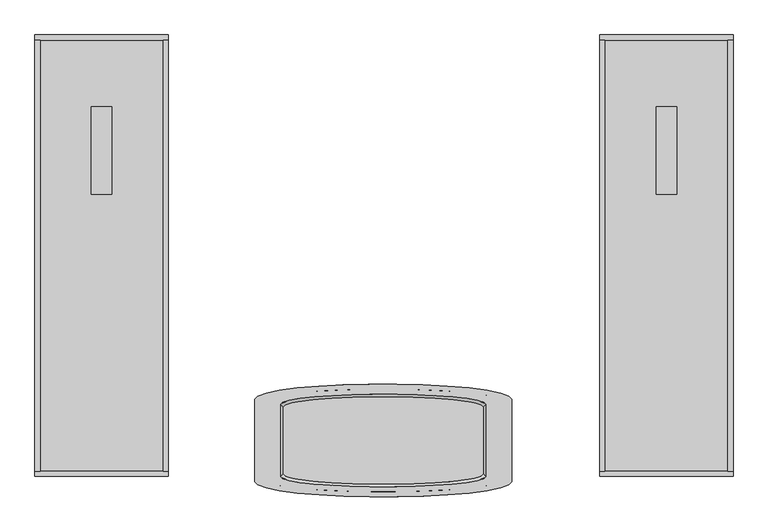
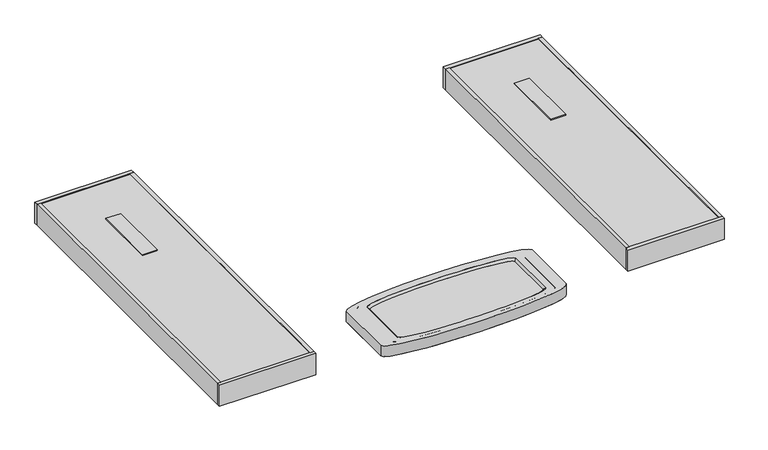
"""IFC4 building model written with IfcOpenShell, lengths in millimetres: proxy geometry."""

from ifc_helpers import new_model, si_unit, point, frame, origin, origin_with_axes, place, context, project, spatial, polyline, ellipse_curve, trimmed, outline, extrude, source, transform, mapped, element, save
from ifc_brep_helpers import plane_surface, extruded_surface, spline_surface, advanced_brep


def specialty_equipment_22bce5d2(model_context):
    return source(origin(), model_context, "Body", "SolidModel", [
        advanced_brep(
        [(-498.8004493, 114.1223602, 63.5), (491.7995507, 114.1223602, 63.5), (491.7995507, 444.3223602, 63.5), (-498.8004493, 444.3223602, 63.5), (-511.5004493, 100.8879397, 76.2), (504.4995507, 100.8879397, 76.2), (504.4995507, 457.5567808, 76.2), (-511.5004493, 457.5567808, 76.2), (-638.5004493, 482.4223602, 76.2), (-638.5004493, 76.0223602, 76.2), (631.4995507, 76.0223602, 76.2), (631.4995507, 482.4223602, 76.2), (-638.5004493, 482.4223602, 0.0), (631.4995507, 482.4223602, 0.0), (631.4995507, 76.0223602, 0.0), (-638.5004493, 76.0223602, 0.0)],
        [
            (0, 1, ellipse_curve(frame((-3.5004493, 114.1223602, 63.5), z_axis=(0.0, 0.0, 1.0), x_axis=(-1.0, 0.0, 0.0)), 495.3, 50.8)),
            (1, 2),
            (2, 3, ellipse_curve(frame((-3.5004493, 444.3223602, 63.5), z_axis=(0.0, 0.0, 1.0), x_axis=(-1.0, 0.0, 0.0)), 495.3, 50.8)),
            (3, 0),
            (0, 4),
            (4, 5, ellipse_curve(frame((-3.5004493, 100.8879397, 76.2), z_axis=(0.0, 0.0, 1.0), x_axis=(-1.0, 0.0, 0.0)), 508.0, 50.2227273)),
            (5, 1),
            (5, 6),
            (6, 2),
            (6, 7, ellipse_curve(frame((-3.5004493, 457.5567808, 76.2), z_axis=(0.0, 0.0, 1.0), x_axis=(-1.0, 0.0, 0.0)), 508.0, 50.2227273)),
            (7, 3),
            (7, 4),
            (8, 9),
            (9, 10, ellipse_curve(frame((-3.5004493, 76.0223602, 76.2), z_axis=(0.0, 0.0, 1.0), x_axis=(-1.0, 0.0, 0.0)), 635.0, 76.2)),
            (10, 11),
            (11, 8, ellipse_curve(frame((-3.5004493, 482.4223602, 76.2), z_axis=(0.0, 0.0, 1.0), x_axis=(-1.0, 0.0, 0.0)), 635.0, 76.2)),
            (12, 13, ellipse_curve(frame((-3.5004493, 482.4223602, 0.0), z_axis=(0.0, 0.0, -1.0), x_axis=(-1.0, 0.0, 0.0)), 635.0, 76.2)),
            (13, 14),
            (14, 15, ellipse_curve(frame((-3.5004493, 76.0223602, 0.0), z_axis=(0.0, 0.0, -1.0), x_axis=(-1.0, 0.0, 0.0)), 635.0, 76.2)),
            (15, 12),
            (8, 12),
            (15, 9),
            (14, 10),
            (13, 11),
        ],
        [
            plane_surface(frame((-3.5004493, 279.2223602, 63.5), z_axis=(0.0, 0.0, 1.0), x_axis=(0.0, -1.0, 0.0))),
            spline_surface(1, 2, [[(-498.8004493, 114.1223602, 63.5), (-498.8004493, 63.322360200000006, 63.5), (-3.5004493, 63.322360200000006, 63.5), (491.7995507, 63.322360200000006, 63.5), (491.7995507, 114.1223602, 63.5)], [(-511.5004493, 100.8879397, 76.2), (-511.5004493, 50.6652124, 76.2), (-3.5004493, 50.6652124, 76.2), (504.4995507, 50.6652124, 76.2), (504.4995507, 100.8879397, 76.2)]], [2, 2], [3, 2, 3], [0.0, 1.0], [0.0, 1.0, 2.0], weights=[[1.0, 0.7071067811865476, 1.0, 0.7071067811865476, 1.0], [1.0, 0.7071067811865476, 1.0, 0.7071067811865476, 1.0]]),
            plane_surface(frame((491.7995507, 279.2223602, 63.5), z_axis=(-0.7071067811865671, 0.0, 0.707106781186528), x_axis=(0.0, 1.0, 0.0))),
            spline_surface(1, 2, [[(491.7995507, 444.3223602, 63.5), (491.7995507, 495.1223602, 63.5), (-3.5004493, 495.1223602, 63.5), (-498.8004493, 495.1223602, 63.5), (-498.8004493, 444.3223602, 63.5)], [(504.4995507, 457.5567808, 76.2), (504.4995507, 507.77950810000004, 76.2), (-3.5004493, 507.77950810000004, 76.2), (-511.5004493, 507.77950810000004, 76.2), (-511.5004493, 457.5567808, 76.2)]], [2, 2], [3, 2, 3], [0.0, 1.0], [0.0, 1.0, 2.0], weights=[[1.0, 0.7071067811865476, 1.0, 0.7071067811865476, 1.0], [1.0, 0.7071067811865476, 1.0, 0.7071067811865476, 1.0]]),
            plane_surface(frame((-498.8004493, 279.2223602, 63.5), z_axis=(0.7071067811865638, 0.0, 0.7071067811865313), x_axis=(0.0, -1.0, 0.0))),
            plane_surface(frame((-638.5004493, 76.0223602, 76.2), z_axis=(0.0, 0.0, 1.0), x_axis=(0.0, -1.0, 0.0))),
            plane_surface(frame((-638.5004493, 76.0223602, 0.0), z_axis=(0.0, 0.0, -1.0), x_axis=(0.0, 1.0, 0.0))),
            plane_surface(frame((-638.5004493, 482.4223602, 76.2), z_axis=(-1.0, 0.0, 0.0), x_axis=(0.0, 0.0, -1.0))),
            extruded_surface(trimmed(ellipse_curve(frame((-3.5004493, 76.0223602, -76.2), z_axis=(0.0, 0.0, 1.0), x_axis=(-1.0, 0.0, 0.0)), 635.0, 76.2), [point((-638.5004493, 76.0223602, -76.2))], [point((631.4995507, 76.0223602, -76.2))], True, "CARTESIAN"), (0.0, 0.0, 76.2), 76.2),
            plane_surface(frame((631.4995507, 76.0223602, 76.2), z_axis=(1.0, 0.0, 0.0), x_axis=(0.0, 0.0, -1.0))),
            extruded_surface(trimmed(ellipse_curve(frame((-3.5004493, 482.4223602, -76.2), z_axis=(0.0, 0.0, 1.0), x_axis=(-1.0, 0.0, 0.0)), 635.0, 76.2), [point((631.4995507, 482.4223602, -76.2))], [point((-638.5004493, 482.4223602, -76.2))], True, "CARTESIAN"), (0.0, 0.0, 76.2), 76.2),
        ],
        [
            (0, [[1, 2, 3, 4]]),
            (1, [[-1, 5, 6, 7]]),
            (2, [[-2, -7, 8, 9]]),
            (3, [[-3, -9, 10, 11]]),
            (4, [[-4, -11, 12, -5]]),
            (5, [[13, 14, 15, 16], [-6, -12, -10, -8]]),
            (6, [[17, 18, 19, 20]]),
            (7, [[-13, 21, -20, 22]]),
            (8, [[-14, -22, -19, 23]]),
            (9, [[-15, -23, -18, 24]]),
            (10, [[-16, -24, -17, -21]]),
        ],
    ),
        advanced_brep(
        [(-562.3004493, 76.0223602, 76.2), (555.2995507, 76.0223602, 76.2), (555.2995507, 482.4223602, 76.2), (-562.3004493, 482.4223602, 76.2), (504.4995507, 100.8879397, 76.2), (-511.5004493, 100.8879397, 76.2), (-511.5004493, 457.5567808, 76.2), (504.4995507, 457.5567808, 76.2), (-638.5004493, 76.0223602, 0.0), (-638.5004493, 482.4223602, 0.0), (631.4995507, 482.4223602, 0.0), (631.4995507, 76.0223602, 0.0), (-498.8004493, 114.1223602, 63.5), (491.7995507, 114.1223602, 63.5), (491.7995507, 444.3223602, 63.5), (-498.8004493, 444.3223602, 63.5)],
        [
            (0, 1, ellipse_curve(frame((-3.5004493, 76.0223602, 76.2), z_axis=(0.0, 0.0, 1.0), x_axis=(-1.0, 0.0, 0.0)), 558.8, 50.8)),
            (1, 2),
            (2, 3, ellipse_curve(frame((-3.5004493, 482.4223602, 76.2), z_axis=(0.0, 0.0, 1.0), x_axis=(-1.0, 0.0, 0.0)), 558.8, 50.8)),
            (3, 0),
            (4, 5, ellipse_curve(frame((-3.5004493, 100.8879397, 76.2), z_axis=(0.0, 0.0, -1.0), x_axis=(-1.0, 0.0, 0.0)), 508.0, 50.2227273)),
            (5, 6),
            (6, 7, ellipse_curve(frame((-3.5004493, 457.5567808, 76.2), z_axis=(0.0, 0.0, -1.0), x_axis=(-1.0, 0.0, 0.0)), 508.0, 50.2227273)),
            (7, 4),
            (8, 9),
            (9, 10, ellipse_curve(frame((-3.5004493, 482.4223602, 0.0), z_axis=(0.0, 0.0, -1.0), x_axis=(-1.0, 0.0, 0.0)), 635.0, 76.2)),
            (10, 11),
            (11, 8, ellipse_curve(frame((-3.5004493, 76.0223602, 0.0), z_axis=(0.0, 0.0, -1.0), x_axis=(-1.0, 0.0, 0.0)), 635.0, 76.2)),
            (0, 8),
            (11, 1),
            (10, 2),
            (9, 3),
            (12, 13, ellipse_curve(frame((-3.5004493, 114.1223602, 63.5), z_axis=(0.0, 0.0, 1.0), x_axis=(-1.0, 0.0, 0.0)), 495.3, 50.8)),
            (13, 14),
            (14, 15, ellipse_curve(frame((-3.5004493, 444.3223602, 63.5), z_axis=(0.0, 0.0, 1.0), x_axis=(-1.0, 0.0, 0.0)), 495.3, 50.8)),
            (15, 12),
            (12, 5),
            (4, 13),
            (7, 14),
            (6, 15),
        ],
        [
            plane_surface(frame((-3.5004493, 279.2223602, 76.2), z_axis=(0.0, 0.0, 1.0), x_axis=(0.0, -1.0, 0.0))),
            plane_surface(frame((-3.5004493, 279.2223602, 0.0), z_axis=(0.0, 0.0, -1.0), x_axis=(0.0, -1.0, 0.0))),
            spline_surface(2, 1, [[(-638.5004493, 76.0223602, 0.0), (-562.3004493, 76.0223602, 76.2)], [(-638.5004493, -0.17763980000000856, 0.0), (-562.3004493, 25.222360199999997, 76.2)], [(-3.5004493, -0.17763980000000856, 0.0), (-3.5004493, 25.222360199999997, 76.2)], [(631.4995507, -0.17763980000000856, 0.0), (555.2995506999999, 25.222360199999997, 76.2)], [(631.4995507, 76.0223602, 0.0), (555.2995507, 76.0223602, 76.2)]], [3, 2, 3], [2, 2], [0.0, 1.0, 2.0], [0.0, 1.0], weights=[[1.0, 1.0], [0.7071067811865476, 0.7071067811865476], [1.0, 1.0], [0.7071067811865476, 0.7071067811865476], [1.0, 1.0]]),
            plane_surface(frame((631.4995507, 279.2223602, 0.0), z_axis=(0.7071067811865792, 0.0, 0.7071067811865158), x_axis=(0.0, 1.0, 0.0))),
            spline_surface(2, 1, [[(631.4995507, 482.4223602, 0.0), (555.2995507, 482.4223602, 76.2)], [(631.4995507, 558.6223602, 0.0), (555.2995507, 533.2223602, 76.2)], [(-3.5004493, 558.6223602, 0.0), (-3.5004493, 533.2223602, 76.2)], [(-638.5004493, 558.6223602, 0.0), (-562.3004493000001, 533.2223602, 76.2)], [(-638.5004493, 482.4223602, 0.0), (-562.3004493, 482.4223602, 76.2)]], [3, 2, 3], [2, 2], [0.0, 1.0, 2.0], [0.0, 1.0], weights=[[1.0, 1.0], [0.7071067811865476, 0.7071067811865476], [1.0, 1.0], [0.7071067811865476, 0.7071067811865476], [1.0, 1.0]]),
            plane_surface(frame((-638.5004493, 279.2223602, 0.0), z_axis=(-0.7071067811865188, 0.0, 0.7071067811865762), x_axis=(0.0, -1.0, 0.0))),
            plane_surface(frame((-3.5004493, 279.2223602, 63.5), z_axis=(0.0, 0.0, 1.0), x_axis=(0.0, -1.0, 0.0))),
            spline_surface(1, 2, [[(-498.8004493, 114.1223602, 63.5), (-498.8004493, 63.322360200000006, 63.5), (-3.5004493, 63.322360200000006, 63.5), (491.7995507, 63.322360200000006, 63.5), (491.7995507, 114.1223602, 63.5)], [(-511.5004493, 100.8879397, 76.2), (-511.5004493, 50.6652124, 76.2), (-3.5004493, 50.6652124, 76.2), (504.4995507, 50.6652124, 76.2), (504.4995507, 100.8879397, 76.2)]], [2, 2], [3, 2, 3], [0.0, 1.0], [0.0, 1.0, 2.0], weights=[[1.0, 0.7071067811865476, 1.0, 0.7071067811865476, 1.0], [1.0, 0.7071067811865476, 1.0, 0.7071067811865476, 1.0]]),
            plane_surface(frame((491.7995507, 279.2223602, 63.5), z_axis=(-0.7071067811865671, 0.0, 0.707106781186528), x_axis=(0.0, 1.0, 0.0))),
            spline_surface(1, 2, [[(491.7995507, 444.3223602, 63.5), (491.7995507, 495.1223602, 63.5), (-3.5004493, 495.1223602, 63.5), (-498.8004493, 495.1223602, 63.5), (-498.8004493, 444.3223602, 63.5)], [(504.4995507, 457.5567808, 76.2), (504.4995507, 507.77950810000004, 76.2), (-3.5004493, 507.77950810000004, 76.2), (-511.5004493, 507.77950810000004, 76.2), (-511.5004493, 457.5567808, 76.2)]], [2, 2], [3, 2, 3], [0.0, 1.0], [0.0, 1.0, 2.0], weights=[[1.0, 0.7071067811865476, 1.0, 0.7071067811865476, 1.0], [1.0, 0.7071067811865476, 1.0, 0.7071067811865476, 1.0]]),
            plane_surface(frame((-498.8004493, 279.2223602, 63.5), z_axis=(0.7071067811865638, 0.0, 0.7071067811865313), x_axis=(0.0, -1.0, 0.0))),
        ],
        [
            (0, [[1, 2, 3, 4], [5, 6, 7, 8]]),
            (1, [[9, 10, 11, 12]]),
            (2, [[-1, 13, -12, 14]]),
            (3, [[-2, -14, -11, 15]]),
            (4, [[-3, -15, -10, 16]]),
            (5, [[-4, -16, -9, -13]]),
            (6, [[17, 18, 19, 20]]),
            (7, [[-17, 21, -5, 22]]),
            (8, [[-18, -22, -8, 23]]),
            (9, [[-19, -23, -7, 24]]),
            (10, [[-20, -24, -6, -21]]),
        ],
    ),
        extrude(outline(polyline([(1447.8, 1498.6), (1346.2, 1498.6), (1346.2, 1930.4), (1447.8, 1930.4), (1447.8, 1498.6)])), frame((0.0, 0.0, 146.05), z_axis=(0.0, 0.0, 1.0), x_axis=(1.0, 0.0, 0.0)), (0.0, 0.0, 1.0), 6.35),
        extrude(outline(polyline([(1092.2, 2260.6), (1701.8, 2260.6), (1701.8, 127.0), (1092.2, 127.0), (1092.2, 2260.6)])), frame((0.0, 0.0, 133.35), z_axis=(0.0, 0.0, 1.0), x_axis=(1.0, 0.0, 0.0)), (0.0, 0.0, 1.0), 12.7),
        extrude(outline(polyline([(1727.2, 127.0), (1701.8, 127.0), (1701.8, 2260.6), (1727.2, 2260.6), (1727.2, 127.0)])), origin_with_axes(), (0.0, 0.0, 1.0), 152.4),
        extrude(outline(polyline([(1066.8, 127.0), (1066.8, 2260.6), (1092.2, 2260.6), (1092.2, 127.0), (1066.8, 127.0)])), origin_with_axes(), (0.0, 0.0, 1.0), 152.4),
        extrude(outline(polyline([(1727.2, 101.6), (1066.8, 101.6), (1066.8, 127.0), (1727.2, 127.0), (1727.2, 101.6)])), origin_with_axes(), (0.0, 0.0, 1.0), 152.4),
        extrude(outline(polyline([(1727.2, 2260.6), (1066.8, 2260.6), (1066.8, 2286.0), (1727.2, 2286.0), (1727.2, 2260.6)])), origin_with_axes(), (0.0, 0.0, 1.0), 152.4),
        extrude(outline(polyline([(-1447.8, 1498.6), (-1447.8, 1930.4), (-1346.2, 1930.4), (-1346.2, 1498.6), (-1447.8, 1498.6)])), frame((0.0, 0.0, 146.05), z_axis=(0.0, 0.0, 1.0), x_axis=(1.0, 0.0, 0.0)), (0.0, 0.0, 1.0), 6.35),
        extrude(outline(polyline([(-1092.2, 2260.6), (-1092.2, 127.0), (-1701.8, 127.0), (-1701.8, 2260.6), (-1092.2, 2260.6)])), frame((0.0, 0.0, 133.35), z_axis=(0.0, 0.0, 1.0), x_axis=(1.0, 0.0, 0.0)), (0.0, 0.0, 1.0), 12.7),
        extrude(outline(polyline([(-1727.2, 127.0), (-1727.2, 2260.6), (-1701.8, 2260.6), (-1701.8, 127.0), (-1727.2, 127.0)])), origin_with_axes(), (0.0, 0.0, 1.0), 152.4),
        extrude(outline(polyline([(-1066.8, 127.0), (-1092.2, 127.0), (-1092.2, 2260.6), (-1066.8, 2260.6), (-1066.8, 127.0)])), origin_with_axes(), (0.0, 0.0, 1.0), 152.4),
        extrude(outline(polyline([(-1727.2, 101.6), (-1727.2, 127.0), (-1066.8, 127.0), (-1066.8, 101.6), (-1727.2, 101.6)])), origin_with_axes(), (0.0, 0.0, 1.0), 152.4),
        extrude(outline(polyline([(-1727.2, 2260.6), (-1727.2, 2286.0), (-1066.8, 2286.0), (-1066.8, 2260.6), (-1727.2, 2260.6)])), origin_with_axes(), (0.0, 0.0, 1.0), 152.4),
    ])


if __name__ == "__main__":
    model = new_model("IFC4")
    model_context = context("Model", 3, world=origin())
    ifc_project = project(units=[si_unit("LENGTHUNIT", "METRE", prefix="MILLI")], contexts=[model_context])
    site = spatial("IfcSite", under=ifc_project)
    building = spatial("IfcBuilding", under=site)
    placement = place(None, origin())
    specialty_equipment_shape = specialty_equipment_22bce5d2(model_context)
    element("IfcBuildingElementProxy", 1, Name="Specialty Equipment", at=placement, inside=building, context=model_context, shape_type="MappedRepresentation", body=[
        mapped(specialty_equipment_shape, transform((0.0, 0.0, 0.0), x_axis=(1.0, 0.0, 0.0), y_axis=(0.0, 1.0, 0.0), z_axis=(0.0, 0.0, 1.0))),
    ])
    save(model, "model.ifc")
